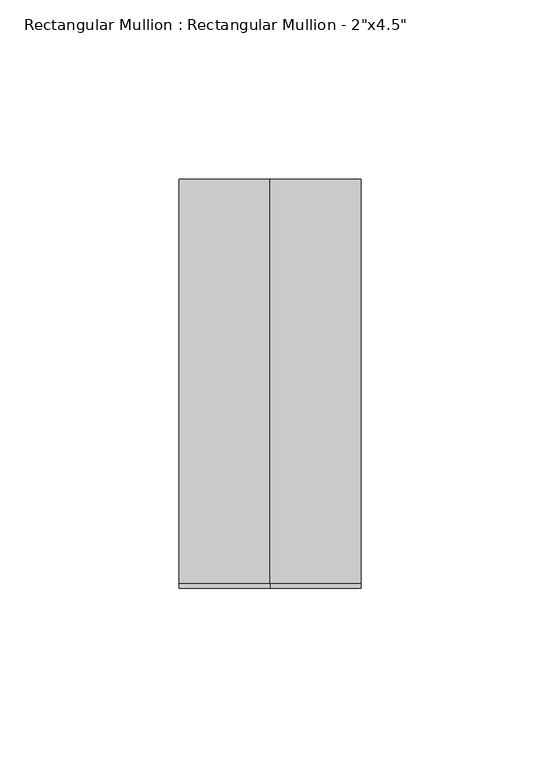
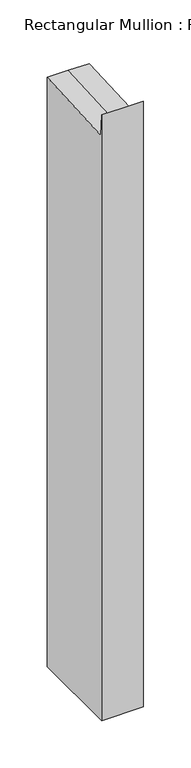
"""IFC4 building model written with IfcOpenShell, lengths in millimetres: member geometry."""

from ifc_helpers import new_model, si_unit, origin, place, context, project, spatial, faceted_brep, source, transform, mapped, element, save


def member_f75e7bb6(model_context):
    return source(origin(), model_context, "Body", "Brep", [
        faceted_brep([(25.4, 57.15, -756.3677534), (25.4, -57.15, -756.3677534), (-25.4, -57.15, -756.3677534), (-25.4, 57.15, -756.3677534), (-25.4, 57.15, 3.0093132), (0.0, 57.15, 3.0093132), (25.4, 57.15, 3.0093132), (-25.4, -57.15, 23.8784047), (-25.4, -55.7174627, -3.0050498), (25.4, -57.15, 23.8784047), (0.0, -57.15, 23.8784047), (25.4, -55.7174627, -3.0050498), (0.0, -55.7174627, -3.0050498)], [[[0, 1, 2, 3]], [[4, 5, 6, 0, 3]], [[7, 8, 4, 3, 2]], [[9, 10, 7, 2, 1]], [[6, 11, 9, 1, 0]], [[6, 5, 12, 11]], [[5, 4, 8, 12]], [[8, 7, 10, 12]], [[10, 9, 11, 12]]]),
    ])


if __name__ == "__main__":
    model = new_model("IFC4")
    model_context = context("Model", 3, world=origin())
    ifc_project = project(units=[si_unit("LENGTHUNIT", "METRE", prefix="MILLI")], contexts=[model_context])
    site = spatial("IfcSite", under=ifc_project)
    building = spatial("IfcBuilding", under=site)
    placement = place(None, origin())
    member_shape = member_f75e7bb6(model_context)
    element("IfcMember", 1, ObjectType="Rectangular Mullion : Rectangular Mullion - 2\"x4.5\"", at=placement, inside=building, context=model_context, shape_type="MappedRepresentation", body=[
        mapped(member_shape, transform((0.0, 0.0, 0.0), x_axis=(1.0, 0.0, 0.0), y_axis=(0.0, 1.0, 0.0), z_axis=(0.0, 0.0, 1.0))),
    ])
    save(model, "model.ifc")
